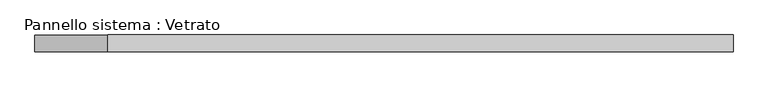
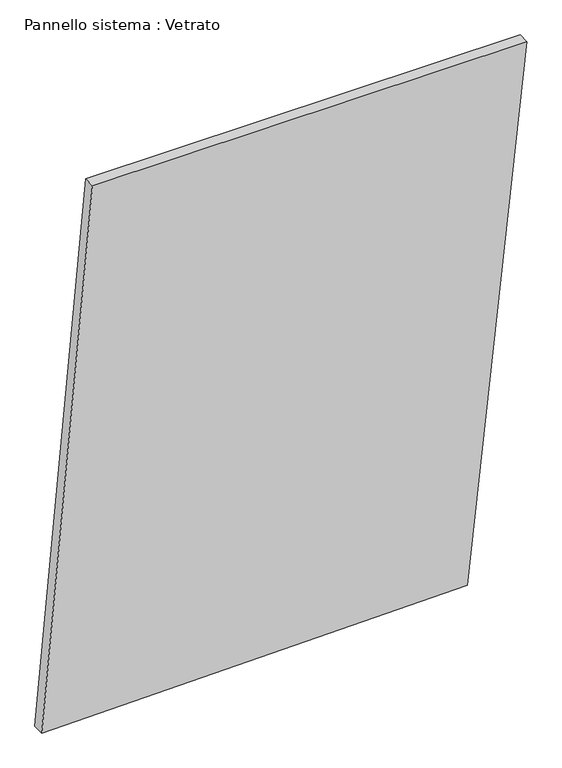
"""IFC4 building model written with IfcOpenShell, lengths in millimetres: plate geometry, Pannello sistema : Vetrato."""

from ifc_helpers import new_model, si_unit, frame, origin, place, context, project, spatial, polyline, outline, extrude, source, transform, mapped, element, save


def pannello_sistema_vetrato_25bfb1fd(model_context):
    return source(origin(), model_context, "Body", "SweptSolid", [
        extrude(outline(polyline([(0.0, -621.4060958), (19.0802885, 468.3761993), (1436.9522838, 621.4060958), (1436.9522838, -491.776517), (0.0, -621.4060958)])), frame((0.0, -15.0, 0.0), z_axis=(0.0, 1.0, 0.0), x_axis=(0.0, 0.0, 1.0)), (0.0, 0.0, 1.0), 30.0),
    ])


if __name__ == "__main__":
    model = new_model("IFC4")
    model_context = context("Model", 3, world=origin())
    ifc_project = project(units=[si_unit("LENGTHUNIT", "METRE", prefix="MILLI")], contexts=[model_context])
    site = spatial("IfcSite", under=ifc_project)
    building = spatial("IfcBuilding", under=site)
    placement = place(None, origin())
    pannello_sistema_vetrato_shape = pannello_sistema_vetrato_25bfb1fd(model_context)
    element("IfcPlate", 1, ObjectType="Pannello sistema : Vetrato", at=placement, inside=building, context=model_context, shape_type="MappedRepresentation", body=[
        mapped(pannello_sistema_vetrato_shape, transform((0.0, 0.0, 0.0), x_axis=(1.0, 0.0, 0.0), y_axis=(0.0, 1.0, 0.0), z_axis=(0.0, 0.0, 1.0))),
    ])
    save(model, "model.ifc")
